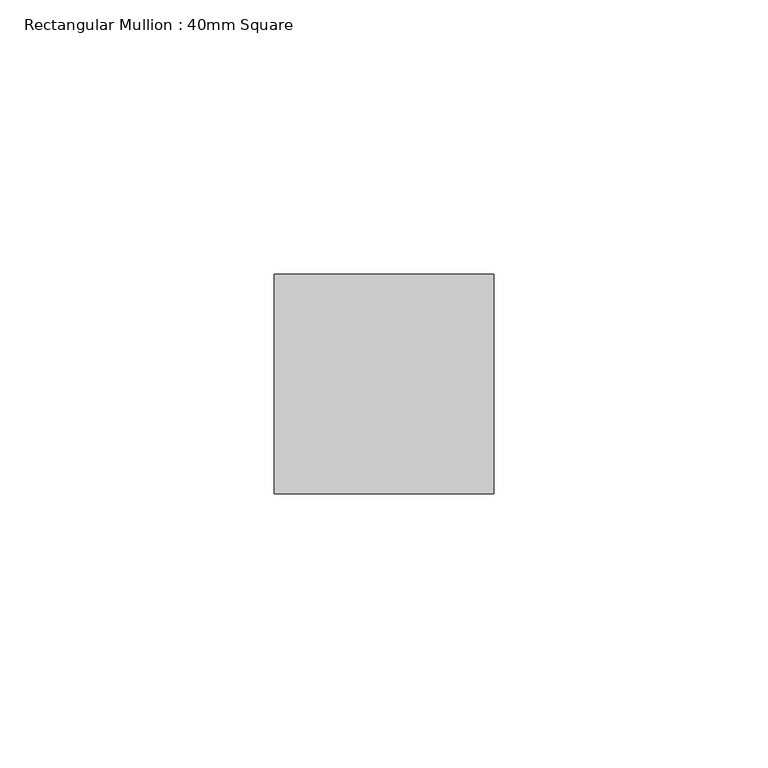
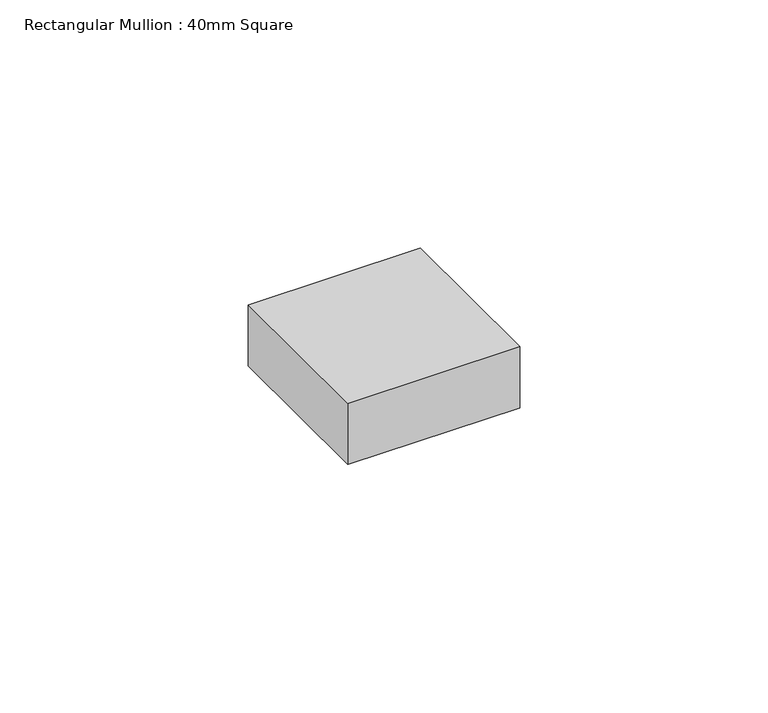
"""IFC4 building model written with IfcOpenShell, lengths in millimetres: member geometry, Rectangular Mullion : 40mm Square."""

from ifc_helpers import new_model, si_unit, frame, origin, place, context, project, spatial, polyline, outline, extrude, source, transform, mapped, element, save


def rectangular_mullion_40mm_square_093ca40b(model_context):
    return source(origin(), model_context, "Body", "SweptSolid", [
        extrude(outline(polyline([(0.0, 20.0), (0.0, -20.0), (-40.0, -20.0), (-40.0, 20.0), (0.0, 20.0)])), frame((0.0, 0.0, -15.0), z_axis=(0.0, 0.0, 1.0), x_axis=(1.0, 0.0, 0.0)), (0.0, 0.0, 1.0), 15.0),
    ])


if __name__ == "__main__":
    model = new_model("IFC4")
    model_context = context("Model", 3, world=origin())
    ifc_project = project(units=[si_unit("LENGTHUNIT", "METRE", prefix="MILLI")], contexts=[model_context])
    site = spatial("IfcSite", under=ifc_project)
    building = spatial("IfcBuilding", under=site)
    placement = place(None, origin())
    rectangular_mullion_40mm_square_shape = rectangular_mullion_40mm_square_093ca40b(model_context)
    element("IfcMember", 1, ObjectType="Rectangular Mullion : 40mm Square", at=placement, inside=building, context=model_context, shape_type="MappedRepresentation", body=[
        mapped(rectangular_mullion_40mm_square_shape, transform((0.0, 0.0, 0.0), x_axis=(1.0, 0.0, 0.0), y_axis=(0.0, 1.0, 0.0), z_axis=(0.0, 0.0, 1.0))),
    ])
    save(model, "model.ifc")
